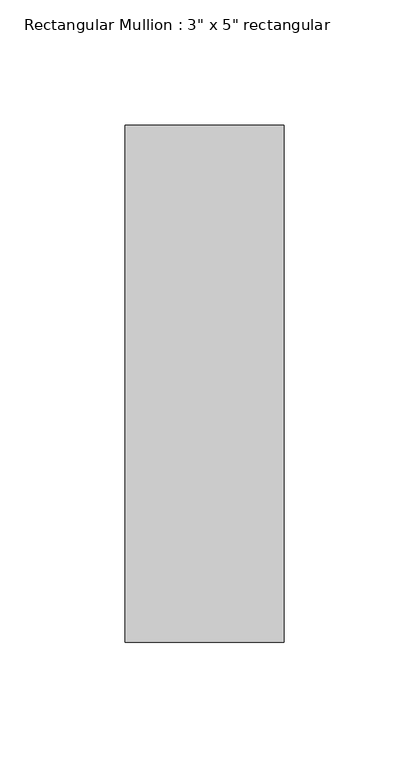
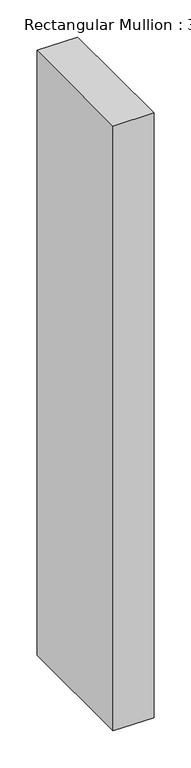
"""IFC4 building model written with IfcOpenShell, lengths in millimetres: member geometry."""

from ifc_helpers import new_model, si_unit, frame, origin, place, context, project, spatial, polyline, outline, extrude, source, transform, mapped, element, save


def member_c8b2f13e(model_context):
    return source(origin(), model_context, "Body", "SweptSolid", [
        extrude(outline(polyline([(31.75, 90.551), (31.75, -115.951), (-31.75, -115.951), (-31.75, 90.551), (31.75, 90.551)])), frame((0.0, 0.0, -996.95), z_axis=(0.0, 0.0, 1.0), x_axis=(1.0, 0.0, 0.0)), (0.0, 0.0, 1.0), 996.95),
    ])


if __name__ == "__main__":
    model = new_model("IFC4")
    model_context = context("Model", 3, world=origin())
    ifc_project = project(units=[si_unit("LENGTHUNIT", "METRE", prefix="MILLI")], contexts=[model_context])
    site = spatial("IfcSite", under=ifc_project)
    building = spatial("IfcBuilding", under=site)
    placement = place(None, origin())
    member_shape = member_c8b2f13e(model_context)
    element("IfcMember", 1, ObjectType="Rectangular Mullion : 3\" x 5\" rectangular", at=placement, inside=building, context=model_context, shape_type="MappedRepresentation", body=[
        mapped(member_shape, transform((0.0, 0.0, 0.0), x_axis=(1.0, 0.0, 0.0), y_axis=(0.0, 1.0, 0.0), z_axis=(0.0, 0.0, 1.0))),
    ])
    save(model, "model.ifc")
